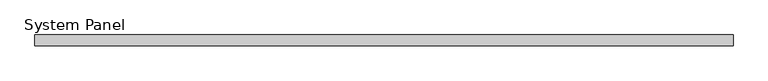
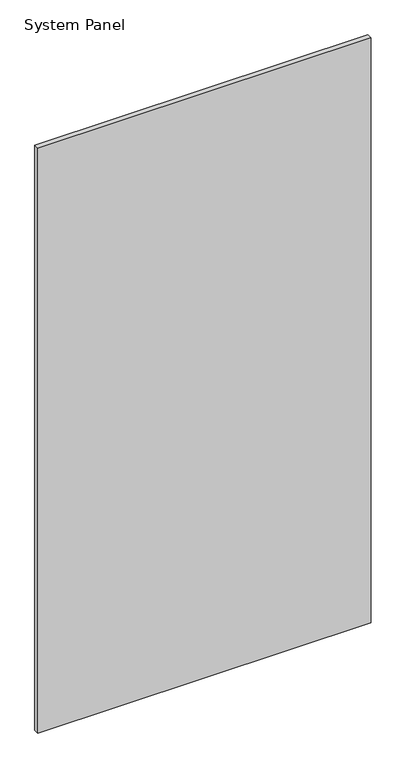
"""IFC4 building model written with IfcOpenShell, lengths in millimetres: plate geometry, System Panel."""

from ifc_helpers import new_model, si_unit, origin, origin_with_axes, place, context, project, spatial, polyline, outline, extrude, source, transform, mapped, element, save


def system_panel_434c8170(model_context):
    return source(origin(), model_context, "Body", "SweptSolid", [
        extrude(outline(polyline([(646.8011267, -10.0), (-646.8011267, -10.0), (-646.8011267, 10.0), (646.8011267, 10.0), (646.8011267, -10.0)])), origin_with_axes(), (0.0, 0.0, 1.0), 2400.0),
    ])


if __name__ == "__main__":
    model = new_model("IFC4")
    model_context = context("Model", 3, world=origin())
    ifc_project = project(units=[si_unit("LENGTHUNIT", "METRE", prefix="MILLI")], contexts=[model_context])
    site = spatial("IfcSite", under=ifc_project)
    building = spatial("IfcBuilding", under=site)
    placement = place(None, origin())
    system_panel_shape = system_panel_434c8170(model_context)
    element("IfcPlate", 1, ObjectType="System Panel", at=placement, inside=building, context=model_context, shape_type="MappedRepresentation", body=[
        mapped(system_panel_shape, transform((0.0, 0.0, 0.0), x_axis=(1.0, 0.0, 0.0), y_axis=(0.0, 1.0, 0.0), z_axis=(0.0, 0.0, 1.0))),
    ])
    save(model, "model.ifc")
